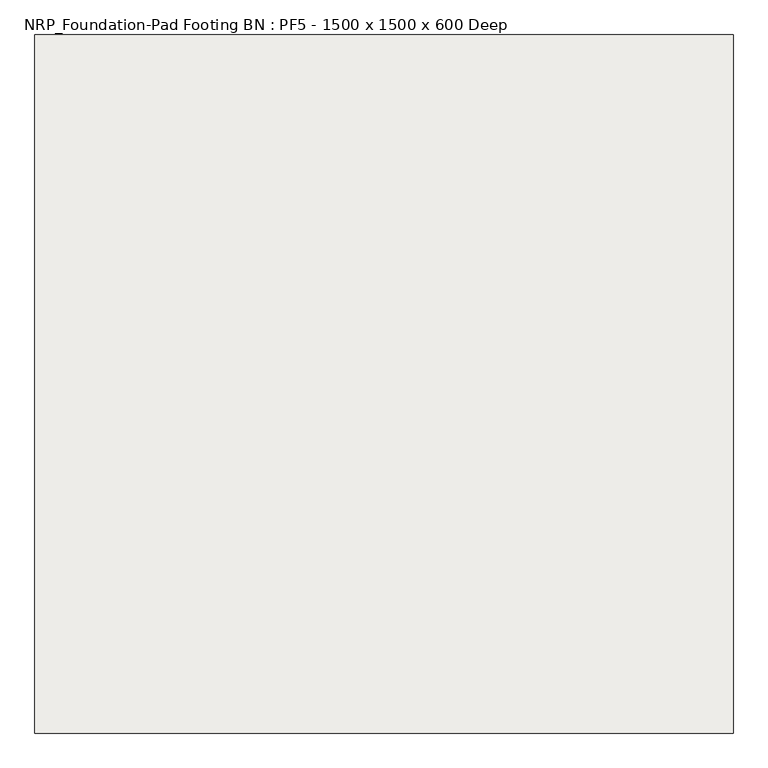
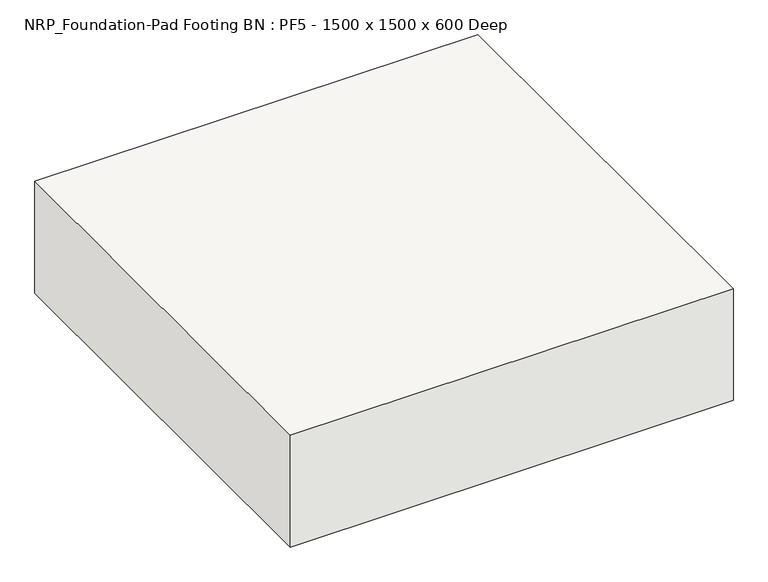
"""IFC4 building model written with IfcOpenShell, lengths in millimetres: slab geometry, NRP_Foundation-Pad Footing BN : PF5 - 1500 x 1500 x 600 Deep."""

from ifc_helpers import new_model, si_unit, frame, origin, place, context, project, spatial, polyline, outline, extrude, source, transform, mapped, element, save


def nrp_foundation_pad_footing_bn_pf5_1500_x_1500_x_600_deep_6fcbc51f(model_context):
    return source(origin(), model_context, "Body", "SweptSolid", [
        extrude(outline(polyline([(800.0, -400.0), (-700.0, -400.0), (-700.0, 1100.0), (800.0, 1100.0), (800.0, -400.0)])), frame((0.0, 0.0, -400.0), z_axis=(0.0, 0.0, 1.0), x_axis=(1.0, 0.0, 0.0)), (0.0, 0.0, 1.0), 400.0),
    ])


if __name__ == "__main__":
    model = new_model("IFC4")
    model_context = context("Model", 3, world=origin())
    ifc_project = project(units=[si_unit("LENGTHUNIT", "METRE", prefix="MILLI")], contexts=[model_context])
    site = spatial("IfcSite", under=ifc_project)
    building = spatial("IfcBuilding", under=site)
    placement = place(None, origin())
    nrp_foundation_pad_footing_bn_pf5_1500_x_1500_x_600_deep_shape = nrp_foundation_pad_footing_bn_pf5_1500_x_1500_x_600_deep_6fcbc51f(model_context)
    element("IfcSlab", 1, ObjectType="NRP_Foundation-Pad Footing BN : PF5 - 1500 x 1500 x 600 Deep", at=placement, inside=building, context=model_context, shape_type="MappedRepresentation", body=[
        mapped(nrp_foundation_pad_footing_bn_pf5_1500_x_1500_x_600_deep_shape, transform((0.0, 0.0, 0.0), x_axis=(1.0, 0.0, 0.0), y_axis=(0.0, 1.0, 0.0), z_axis=(0.0, 0.0, 1.0))),
    ])
    save(model, "model.ifc")
